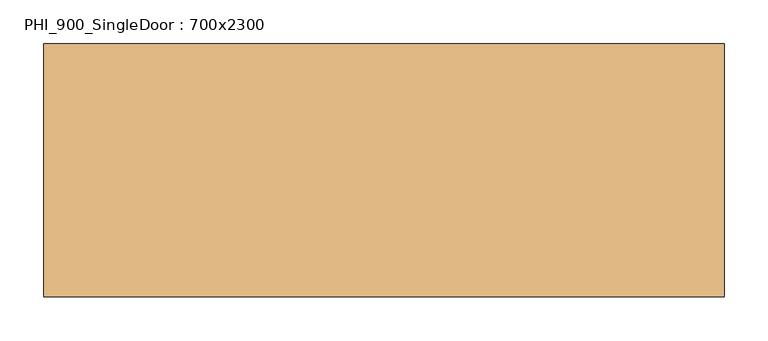
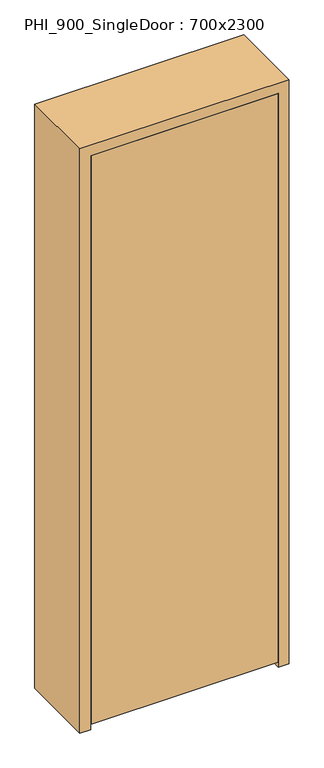
"""IFC4 building model written with IfcOpenShell, lengths in millimetres: door geometry, PHI_900_SingleDoor : 700x2300."""

from ifc_helpers import new_model, si_unit, frame, origin, place, context, project, spatial, polyline, outline, extrude, source, transform, mapped, element, save


def phi_900_singledoor_700x2300_c2358c07(model_context):
    return source(origin(), model_context, "Body", "SweptSolid", [
        extrude(outline(polyline([(348.0, -145.0), (-348.0, -145.0), (-348.0, -95.0), (348.0, -95.0), (348.0, -145.0)])), frame((0.0, 0.0, 20.0), z_axis=(0.0, 0.0, 1.0), x_axis=(1.0, 0.0, 0.0)), (0.0, 0.0, 1.0), 2238.0),
        extrude(outline(polyline([(2300.0, -390.0), (0.0, -390.0), (0.0, -350.0), (2260.0, -350.0), (2260.0, 350.0), (0.0, 350.0), (0.0, 390.0), (2300.0, 390.0), (2300.0, -390.0)])), frame((0.0, -145.0, 0.0), z_axis=(0.0, 1.0, 0.0), x_axis=(0.0, 0.0, 1.0)), (0.0, 0.0, 1.0), 290.0),
        extrude(outline(polyline([(2260.0, -350.0), (0.0, -350.0), (0.0, -330.0), (2240.0, -330.0), (2240.0, 330.0), (0.0, 330.0), (0.0, 350.0), (2260.0, 350.0), (2260.0, -350.0)])), frame((0.0, -95.0, 0.0), z_axis=(0.0, 1.0, 0.0), x_axis=(0.0, 0.0, 1.0)), (0.0, 0.0, 1.0), 95.0),
    ])


if __name__ == "__main__":
    model = new_model("IFC4")
    model_context = context("Model", 3, world=origin())
    ifc_project = project(units=[si_unit("LENGTHUNIT", "METRE", prefix="MILLI")], contexts=[model_context])
    site = spatial("IfcSite", under=ifc_project)
    building = spatial("IfcBuilding", under=site)
    placement = place(None, origin())
    phi_900_singledoor_700x2300_shape = phi_900_singledoor_700x2300_c2358c07(model_context)
    element("IfcDoor", 1, ObjectType="PHI_900_SingleDoor : 700x2300", at=placement, inside=building, context=model_context, shape_type="MappedRepresentation", body=[
        mapped(phi_900_singledoor_700x2300_shape, transform((0.0, 0.0, 0.0), x_axis=(1.0, 0.0, 0.0), y_axis=(0.0, 1.0, 0.0), z_axis=(0.0, 0.0, 1.0))),
    ])
    save(model, "model.ifc")
